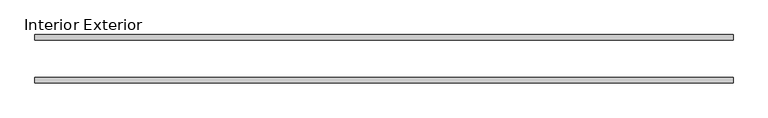
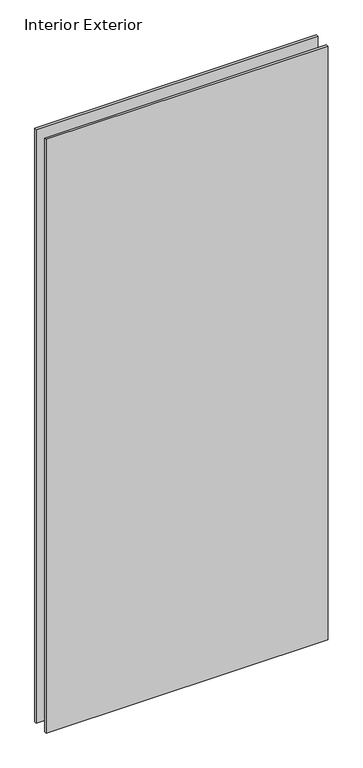
"""IFC4 building model written with IfcOpenShell, lengths in millimetres: plate geometry, Interior Exterior."""

from ifc_helpers import new_model, si_unit, frame, origin, place, context, project, spatial, polyline, outline, extrude, source, transform, mapped, element, save


def interior_exterior_f91fcf95(model_context):
    return source(origin(), model_context, "Body", "SweptSolid", [
        extrude(outline(polyline([(598.4875, -41.275), (-598.4875, -41.275), (-598.4875, -31.75), (598.4875, -31.75), (598.4875, -41.275)])), frame((0.0, 0.0, -25.4), z_axis=(0.0, 0.0, 1.0), x_axis=(1.0, 0.0, 0.0)), (0.0, 0.0, 1.0), 2663.825),
        extrude(outline(polyline([(598.4875, 41.275), (598.4875, 31.75), (-598.4875, 31.75), (-598.4875, 41.275), (598.4875, 41.275)])), frame((0.0, 0.0, -25.4), z_axis=(0.0, 0.0, 1.0), x_axis=(1.0, 0.0, 0.0)), (0.0, 0.0, 1.0), 2663.825),
    ])


if __name__ == "__main__":
    model = new_model("IFC4")
    model_context = context("Model", 3, world=origin())
    ifc_project = project(units=[si_unit("LENGTHUNIT", "METRE", prefix="MILLI")], contexts=[model_context])
    site = spatial("IfcSite", under=ifc_project)
    building = spatial("IfcBuilding", under=site)
    placement = place(None, origin())
    interior_exterior_shape = interior_exterior_f91fcf95(model_context)
    element("IfcPlate", 1, ObjectType="Interior Exterior", at=placement, inside=building, context=model_context, shape_type="MappedRepresentation", body=[
        mapped(interior_exterior_shape, transform((0.0, 0.0, 0.0), x_axis=(1.0, 0.0, 0.0), y_axis=(0.0, 1.0, 0.0), z_axis=(0.0, 0.0, 1.0))),
    ])
    save(model, "model.ifc")
